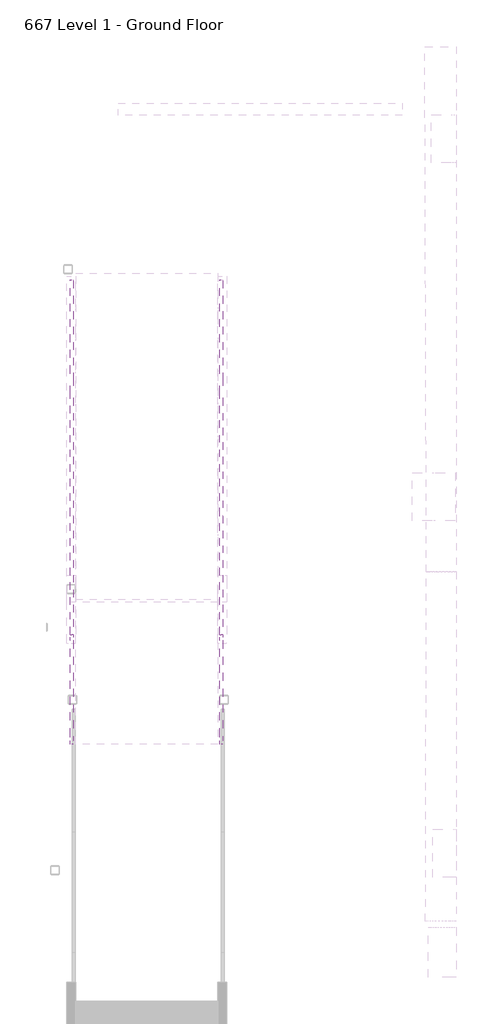
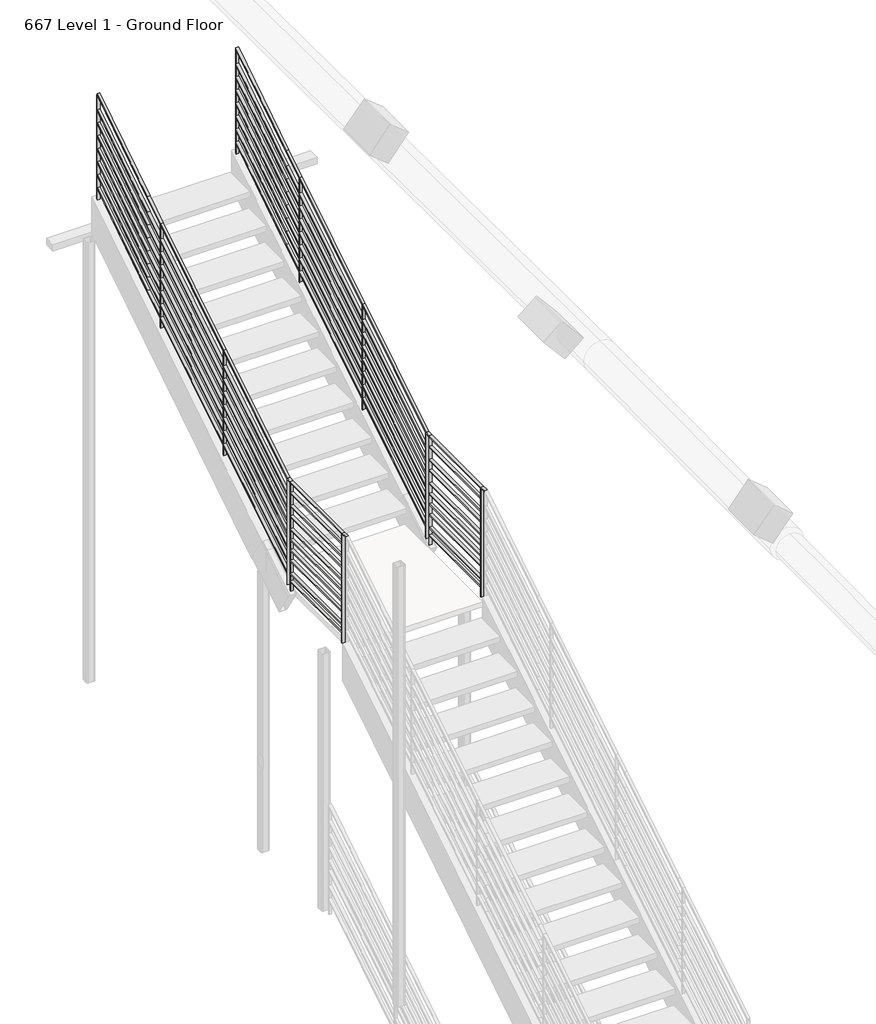
# One storey, part 13 of 16: 4 railings.
"""IFC4 building model written with IfcOpenShell, lengths in millimetres."""

from ifc_helpers import new_model, si_unit, frame, origin, place, context, project, spatial, polyline, outline, extrude, faceted_brep, element, save

model = new_model("IFC4")

# Units and contexts
model_context = context("Model", 3, world=origin())
ifc_project = project(units=[si_unit("LENGTHUNIT", "METRE", prefix="MILLI")], contexts=[model_context])

# Site, building, storey
site = spatial("IfcSite", under=ifc_project)
building = spatial("IfcBuilding", under=site)
storey = spatial("IfcBuildingStorey", under=building, Name="667 Level 1 - Ground Floor", Elevation=-11277.6)

# Railings
placement = place(None, origin())
element("IfcRailing", 1, ObjectType="Handrail - Rectangular Type5", at=placement, inside=storey, context=model_context, shape_type="SolidModel", body=[
    faceted_brep([(-10683.8430588, 2345.596665, -7435.85), (-10683.8430588, 2345.9225538, -7423.15), (-10683.8430588, 3171.4063949, -7423.15), (-10683.8430588, 3171.6899405, -7435.85), (-10658.4430588, 2345.596665, -7435.85), (-10658.4430588, 3171.6899405, -7435.85), (-10658.4430588, 2345.9225538, -7423.15), (-10658.4430588, 3171.4063949, -7423.15), (-10683.8430588, 3222.2063949, -7420.8805043), (-10658.4430588, 3222.2063949, -7420.8805043), (-10658.4430588, 3222.2063949, -7433.5931717), (-10683.8430588, 3222.2063949, -7433.5931717), (-10683.8430588, 2281.6451095, -7419.8490394), (-10683.8430588, 2281.6451095, -7432.5657754), (-10658.4430588, 2281.6451095, -7432.5657754), (-10658.4430588, 2281.6451095, -7419.8490394)], [[[0, 1, 2, 3]], [[4, 0, 3, 5]], [[6, 4, 5, 7]], [[1, 6, 7, 2]], [[8, 9, 10, 11]], [[3, 2, 8, 11]], [[5, 3, 11, 10]], [[7, 5, 10, 9]], [[2, 7, 9, 8]], [[12, 13, 14, 15]], [[13, 12, 1, 0]], [[14, 13, 0, 4]], [[15, 14, 4, 6]], [[12, 15, 6, 1]]]),
    extrude(outline(polyline([(-10658.4430588, 2345.7596094), (-10683.8430588, 2345.7596094), (-10683.8430588, 3171.4063949), (-10658.4430588, 3171.4063949), (-10658.4430588, 2345.7596094)])), frame((0.0, 0.0, -8401.05), z_axis=(0.0, 0.0, 1.0), x_axis=(1.0, 0.0, 0.0)), (0.0, 0.0, 1.0), 12.7),
    extrude(outline(polyline([(-10658.4430588, 2345.7596094), (-10683.8430588, 2345.7596094), (-10683.8430588, 3171.4063949), (-10658.4430588, 3171.4063949), (-10658.4430588, 2345.7596094)])), frame((0.0, 0.0, -8324.85), z_axis=(0.0, 0.0, 1.0), x_axis=(1.0, 0.0, 0.0)), (0.0, 0.0, 1.0), 12.7),
    extrude(outline(polyline([(-10658.4430588, 2345.7596094), (-10683.8430588, 2345.7596094), (-10683.8430588, 3171.4063949), (-10658.4430588, 3171.4063949), (-10658.4430588, 2345.7596094)])), frame((0.0, 0.0, -8197.85), z_axis=(0.0, 0.0, 1.0), x_axis=(1.0, 0.0, 0.0)), (0.0, 0.0, 1.0), 12.7),
    extrude(outline(polyline([(-10658.4430588, 2345.7596094), (-10683.8430588, 2345.7596094), (-10683.8430588, 3171.4063949), (-10658.4430588, 3171.4063949), (-10658.4430588, 2345.7596094)])), frame((0.0, 0.0, -8096.25), z_axis=(0.0, 0.0, 1.0), x_axis=(1.0, 0.0, 0.0)), (0.0, 0.0, 1.0), 12.7),
    extrude(outline(polyline([(-10658.4430588, 2345.7596094), (-10683.8430588, 2345.7596094), (-10683.8430588, 3171.4063949), (-10658.4430588, 3171.4063949), (-10658.4430588, 2345.7596094)])), frame((0.0, 0.0, -7994.65), z_axis=(0.0, 0.0, 1.0), x_axis=(1.0, 0.0, 0.0)), (0.0, 0.0, 1.0), 12.7),
    extrude(outline(polyline([(-10658.4430588, 2345.7596094), (-10683.8430588, 2345.7596094), (-10683.8430588, 3171.4063949), (-10658.4430588, 3171.4063949), (-10658.4430588, 2345.7596094)])), frame((0.0, 0.0, -7893.05), z_axis=(0.0, 0.0, 1.0), x_axis=(1.0, 0.0, 0.0)), (0.0, 0.0, 1.0), 12.7),
    extrude(outline(polyline([(-10658.4430588, 2345.7596094), (-10683.8430588, 2345.7596094), (-10683.8430588, 3171.4063949), (-10658.4430588, 3171.4063949), (-10658.4430588, 2345.7596094)])), frame((0.0, 0.0, -7766.05), z_axis=(0.0, 0.0, 1.0), x_axis=(1.0, 0.0, 0.0)), (0.0, 0.0, 1.0), 12.7),
    extrude(outline(polyline([(-10658.4430588, 2345.7596094), (-10683.8430588, 2345.7596094), (-10683.8430588, 3171.4063949), (-10658.4430588, 3171.4063949), (-10658.4430588, 2345.7596094)])), frame((0.0, 0.0, -7664.45), z_axis=(0.0, 0.0, 1.0), x_axis=(1.0, 0.0, 0.0)), (0.0, 0.0, 1.0), 12.7),
    extrude(outline(polyline([(-10658.4430588, 2345.7596094), (-10683.8430588, 2345.7596094), (-10683.8430588, 3171.4063949), (-10658.4430588, 3171.4063949), (-10658.4430588, 2345.7596094)])), frame((0.0, 0.0, -7537.45), z_axis=(0.0, 0.0, 1.0), x_axis=(1.0, 0.0, 0.0)), (0.0, 0.0, 1.0), 12.7),
    extrude(outline(polyline([(-10658.4430588, 3168.2313949), (-10683.8430588, 3168.2313949), (-10683.8430588, 3174.5813949), (-10658.4430588, 3174.5813949), (-10658.4430588, 3168.2313949)])), frame((0.0, 0.0, -8496.3), z_axis=(0.0, 0.0, 1.0), x_axis=(1.0, 0.0, 0.0)), (0.0, 0.0, 1.0), 1060.45),
    extrude(outline(polyline([(-10658.4430588, 2342.5846094), (-10683.8430588, 2342.5846094), (-10683.8430588, 2348.9346094), (-10658.4430588, 2348.9346094), (-10658.4430588, 2342.5846094)])), frame((0.0, 0.0, -8496.3), z_axis=(0.0, 0.0, 1.0), x_axis=(1.0, 0.0, 0.0)), (0.0, 0.0, 1.0), 1060.45),
])
element("IfcRailing", 2, ObjectType="Handrail - Rectangular Type5", at=placement, inside=storey, context=model_context, shape_type="SolidModel", body=[
    faceted_brep([(-11965.1563726, 2345.596665, -7435.85), (-11965.1563726, 2345.9225538, -7423.15), (-11965.1563726, 3171.4063949, -7423.15), (-11965.1563726, 3171.6899405, -7435.85), (-11939.7563726, 2345.596665, -7435.85), (-11939.7563726, 3171.6899405, -7435.85), (-11939.7563726, 2345.9225538, -7423.15), (-11939.7563726, 3171.4063949, -7423.15), (-11965.1563726, 3222.2063949, -7420.8805043), (-11939.7563726, 3222.2063949, -7420.8805043), (-11939.7563726, 3222.2063949, -7433.5931717), (-11965.1563726, 3222.2063949, -7433.5931717), (-11965.1563726, 2281.6451095, -7419.8490394), (-11965.1563726, 2281.6451095, -7432.5657754), (-11939.7563726, 2281.6451095, -7432.5657754), (-11939.7563726, 2281.6451095, -7419.8490394)], [[[0, 1, 2, 3]], [[4, 0, 3, 5]], [[6, 4, 5, 7]], [[1, 6, 7, 2]], [[8, 9, 10, 11]], [[3, 2, 8, 11]], [[5, 3, 11, 10]], [[7, 5, 10, 9]], [[2, 7, 9, 8]], [[12, 13, 14, 15]], [[13, 12, 1, 0]], [[14, 13, 0, 4]], [[15, 14, 4, 6]], [[12, 15, 6, 1]]]),
    extrude(outline(polyline([(-11939.7563726, 2345.7596094), (-11965.1563726, 2345.7596094), (-11965.1563726, 3171.4063949), (-11939.7563726, 3171.4063949), (-11939.7563726, 2345.7596094)])), frame((0.0, 0.0, -8401.05), z_axis=(0.0, 0.0, 1.0), x_axis=(1.0, 0.0, 0.0)), (0.0, 0.0, 1.0), 12.7),
    extrude(outline(polyline([(-11939.7563726, 2345.7596094), (-11965.1563726, 2345.7596094), (-11965.1563726, 3171.4063949), (-11939.7563726, 3171.4063949), (-11939.7563726, 2345.7596094)])), frame((0.0, 0.0, -8324.85), z_axis=(0.0, 0.0, 1.0), x_axis=(1.0, 0.0, 0.0)), (0.0, 0.0, 1.0), 12.7),
    extrude(outline(polyline([(-11939.7563726, 2345.7596094), (-11965.1563726, 2345.7596094), (-11965.1563726, 3171.4063949), (-11939.7563726, 3171.4063949), (-11939.7563726, 2345.7596094)])), frame((0.0, 0.0, -8197.85), z_axis=(0.0, 0.0, 1.0), x_axis=(1.0, 0.0, 0.0)), (0.0, 0.0, 1.0), 12.7),
    extrude(outline(polyline([(-11939.7563726, 2345.7596094), (-11965.1563726, 2345.7596094), (-11965.1563726, 3171.4063949), (-11939.7563726, 3171.4063949), (-11939.7563726, 2345.7596094)])), frame((0.0, 0.0, -8096.25), z_axis=(0.0, 0.0, 1.0), x_axis=(1.0, 0.0, 0.0)), (0.0, 0.0, 1.0), 12.7),
    extrude(outline(polyline([(-11939.7563726, 2345.7596094), (-11965.1563726, 2345.7596094), (-11965.1563726, 3171.4063949), (-11939.7563726, 3171.4063949), (-11939.7563726, 2345.7596094)])), frame((0.0, 0.0, -7994.65), z_axis=(0.0, 0.0, 1.0), x_axis=(1.0, 0.0, 0.0)), (0.0, 0.0, 1.0), 12.7),
    extrude(outline(polyline([(-11939.7563726, 2345.7596094), (-11965.1563726, 2345.7596094), (-11965.1563726, 3171.4063949), (-11939.7563726, 3171.4063949), (-11939.7563726, 2345.7596094)])), frame((0.0, 0.0, -7893.05), z_axis=(0.0, 0.0, 1.0), x_axis=(1.0, 0.0, 0.0)), (0.0, 0.0, 1.0), 12.7),
    extrude(outline(polyline([(-11939.7563726, 2345.7596094), (-11965.1563726, 2345.7596094), (-11965.1563726, 3171.4063949), (-11939.7563726, 3171.4063949), (-11939.7563726, 2345.7596094)])), frame((0.0, 0.0, -7766.05), z_axis=(0.0, 0.0, 1.0), x_axis=(1.0, 0.0, 0.0)), (0.0, 0.0, 1.0), 12.7),
    extrude(outline(polyline([(-11939.7563726, 2345.7596094), (-11965.1563726, 2345.7596094), (-11965.1563726, 3171.4063949), (-11939.7563726, 3171.4063949), (-11939.7563726, 2345.7596094)])), frame((0.0, 0.0, -7664.45), z_axis=(0.0, 0.0, 1.0), x_axis=(1.0, 0.0, 0.0)), (0.0, 0.0, 1.0), 12.7),
    extrude(outline(polyline([(-11939.7563726, 2345.7596094), (-11965.1563726, 2345.7596094), (-11965.1563726, 3171.4063949), (-11939.7563726, 3171.4063949), (-11939.7563726, 2345.7596094)])), frame((0.0, 0.0, -7537.45), z_axis=(0.0, 0.0, 1.0), x_axis=(1.0, 0.0, 0.0)), (0.0, 0.0, 1.0), 12.7),
    extrude(outline(polyline([(-11965.1563726, 3168.2313949), (-11965.1563726, 3174.5813949), (-11939.7563726, 3174.5813949), (-11939.7563726, 3168.2313949), (-11965.1563726, 3168.2313949)])), frame((0.0, 0.0, -8496.3), z_axis=(0.0, 0.0, 1.0), x_axis=(1.0, 0.0, 0.0)), (0.0, 0.0, 1.0), 1060.45),
    extrude(outline(polyline([(-11965.1563726, 2342.5846094), (-11965.1563726, 2348.9346094), (-11939.7563726, 2348.9346094), (-11939.7563726, 2342.5846094), (-11965.1563726, 2342.5846094)])), frame((0.0, 0.0, -8496.3), z_axis=(0.0, 0.0, 1.0), x_axis=(1.0, 0.0, 0.0)), (0.0, 0.0, 1.0), 1060.45),
])
element("IfcRailing", 3, ObjectType="Handrail - Rectangular Type6", at=placement, inside=storey, context=model_context, shape_type="SolidModel", body=[
    faceted_brep([(-10683.8430588, 3222.2063949, -7420.8805043), (-10683.8430588, 3222.2063949, -7435.85), (-10658.4430588, 3222.2063949, -7435.85), (-10658.4430588, 3222.2063949, -7420.8805043), (-10683.8430588, 4238.3919804, -6786.8142919), (-10658.4430588, 4238.3919804, -6786.8142919), (-10658.4430588, 4245.1149609, -6797.58887), (-10683.8430588, 4245.1149609, -6797.58887)], [[[0, 1, 2, 3]], [[4, 5, 6, 7]], [[1, 0, 4, 7]], [[2, 1, 7, 6]], [[3, 2, 6, 5]], [[0, 3, 5, 4]]]),
    faceted_brep([(-10683.8430588, 4238.3919804, -6790.776482), (-10683.8430588, 4245.1149609, -6801.5510601), (-10658.4430588, 4245.1149609, -6801.5510601), (-10658.4430588, 4238.3919804, -6790.776482), (-10683.8430588, 5245.8245784, -6162.1718444), (-10683.8430588, 5252.5475589, -6172.9464225), (-10658.4430588, 5252.5475589, -6172.9464225), (-10658.4430588, 5245.8245784, -6162.1718444), (-10683.8430588, 5458.5763022, -6029.4218019), (-10683.8430588, 5465.2996967, -6040.1970435), (-10658.4430588, 5465.2992827, -6040.1963799), (-10658.4430588, 5458.5758881, -6029.4211383), (-10683.8430588, 6261.6094854, -5510.6700231), (-10658.4430588, 6261.6094854, -5510.6700231), (-10658.4430588, 6261.6094854, -5525.7894367), (-10683.8430588, 6261.6094854, -5525.7894367)], [[[0, 1, 2, 3]], [[1, 0, 4, 5]], [[2, 1, 5, 6]], [[3, 2, 6, 7]], [[0, 3, 7, 4]], [[5, 4, 8, 9]], [[6, 5, 9, 10]], [[7, 6, 10, 11]], [[4, 7, 11, 8]], [[12, 13, 14, 15]], [[9, 8, 12, 15]], [[10, 9, 15, 14]], [[11, 10, 14, 13]], [[8, 11, 13, 12]]]),
    faceted_brep([(-10658.4430588, 3222.2063949, -8335.2805043), (-10683.8430588, 3222.2063949, -8335.2805043), (-10683.8430588, 3222.2063949, -8350.25), (-10658.4430588, 3222.2063949, -8350.25), (-10658.4430588, 4241.7534707, -7699.1168331), (-10658.4430588, 4241.7534707, -7714.0863288), (-10683.8430588, 4241.7534707, -7714.0863288), (-10683.8430588, 4241.7534707, -7699.1168331)], [[[0, 1, 2, 3]], [[4, 5, 6, 7]], [[1, 0, 4, 7]], [[2, 1, 7, 6]], [[3, 2, 6, 5]], [[0, 3, 5, 4]]]),
    faceted_brep([(-10658.4430588, 4241.7534707, -7703.0790232), (-10683.8430588, 4241.7534707, -7703.0790232), (-10683.8430588, 4241.7534707, -7718.0485189), (-10658.4430588, 4241.7534707, -7718.0485189), (-10658.4430588, 5249.1860686, -7074.4743856), (-10658.4430588, 5249.1860686, -7089.4438813), (-10683.8430588, 5249.1860686, -7089.4438813), (-10683.8430588, 5249.1860686, -7074.4743856)], [[[0, 1, 2, 3]], [[4, 5, 6, 7]], [[1, 0, 4, 7]], [[2, 1, 7, 6]], [[3, 2, 6, 5]], [[0, 3, 5, 4]]]),
    faceted_brep([(-10658.4430588, 5249.1860686, -7074.4743856), (-10683.8430588, 5249.1860686, -7074.4743856), (-10683.8430588, 5249.1860686, -7089.4438813), (-10658.4430588, 5249.1860686, -7089.4438813), (-10658.4430588, 5458.5763022, -6943.8218019), (-10683.8430588, 5458.5763022, -6943.8218019), (-10683.8430588, 5465.2996967, -6954.5970435), (-10658.4430588, 5465.2992827, -6954.5963799), (-10658.4430588, 6261.6094854, -6425.0700231), (-10658.4430588, 6261.6094854, -6440.1894367), (-10683.8430588, 6261.6094854, -6440.1894367), (-10683.8430588, 6261.6094854, -6425.0700231)], [[[0, 1, 2, 3]], [[1, 0, 4, 5]], [[2, 1, 5, 6]], [[3, 2, 6, 7]], [[0, 3, 7, 4]], [[8, 9, 10, 11]], [[5, 4, 8, 11]], [[6, 5, 11, 10]], [[7, 6, 10, 9]], [[4, 7, 9, 8]]]),
    faceted_brep([(-10658.4430588, 3222.2063949, -8208.2805043), (-10683.8430588, 3222.2063949, -8208.2805043), (-10683.8430588, 3222.2063949, -8223.25), (-10658.4430588, 3222.2063949, -8223.25), (-10658.4430588, 4241.7534707, -7572.1168331), (-10658.4430588, 4241.7534707, -7587.0863288), (-10683.8430588, 4241.7534707, -7587.0863288), (-10683.8430588, 4241.7534707, -7572.1168331)], [[[0, 1, 2, 3]], [[4, 5, 6, 7]], [[1, 0, 4, 7]], [[2, 1, 7, 6]], [[3, 2, 6, 5]], [[0, 3, 5, 4]]]),
    faceted_brep([(-10658.4430588, 4241.7534707, -7576.0790232), (-10683.8430588, 4241.7534707, -7576.0790232), (-10683.8430588, 4241.7534707, -7591.0485189), (-10658.4430588, 4241.7534707, -7591.0485189), (-10658.4430588, 5249.1860686, -6947.4743856), (-10658.4430588, 5249.1860686, -6962.4438813), (-10683.8430588, 5249.1860686, -6962.4438813), (-10683.8430588, 5249.1860686, -6947.4743856)], [[[0, 1, 2, 3]], [[4, 5, 6, 7]], [[1, 0, 4, 7]], [[2, 1, 7, 6]], [[3, 2, 6, 5]], [[0, 3, 5, 4]]]),
    faceted_brep([(-10658.4430588, 5249.1860686, -6947.4743856), (-10683.8430588, 5249.1860686, -6947.4743856), (-10683.8430588, 5249.1860686, -6962.4438813), (-10658.4430588, 5249.1860686, -6962.4438813), (-10658.4430588, 5458.5763022, -6816.8218019), (-10683.8430588, 5458.5763022, -6816.8218019), (-10683.8430588, 5465.2996967, -6827.5970435), (-10658.4430588, 5465.2992827, -6827.5963799), (-10658.4430588, 6261.6094854, -6298.0700231), (-10658.4430588, 6261.6094854, -6313.1894367), (-10683.8430588, 6261.6094854, -6313.1894367), (-10683.8430588, 6261.6094854, -6298.0700231)], [[[0, 1, 2, 3]], [[1, 0, 4, 5]], [[2, 1, 5, 6]], [[3, 2, 6, 7]], [[0, 3, 7, 4]], [[8, 9, 10, 11]], [[5, 4, 8, 11]], [[6, 5, 11, 10]], [[7, 6, 10, 9]], [[4, 7, 9, 8]]]),
    faceted_brep([(-10658.4430588, 3222.2063949, -8081.2805043), (-10683.8430588, 3222.2063949, -8081.2805043), (-10683.8430588, 3222.2063949, -8096.25), (-10658.4430588, 3222.2063949, -8096.25), (-10658.4430588, 4241.7534707, -7445.1168331), (-10658.4430588, 4241.7534707, -7460.0863288), (-10683.8430588, 4241.7534707, -7460.0863288), (-10683.8430588, 4241.7534707, -7445.1168331)], [[[0, 1, 2, 3]], [[4, 5, 6, 7]], [[1, 0, 4, 7]], [[2, 1, 7, 6]], [[3, 2, 6, 5]], [[0, 3, 5, 4]]]),
    faceted_brep([(-10658.4430588, 4241.7534707, -7449.0790232), (-10683.8430588, 4241.7534707, -7449.0790232), (-10683.8430588, 4241.7534707, -7464.0485189), (-10658.4430588, 4241.7534707, -7464.0485189), (-10658.4430588, 5249.1860686, -6820.4743856), (-10658.4430588, 5249.1860686, -6835.4438813), (-10683.8430588, 5249.1860686, -6835.4438813), (-10683.8430588, 5249.1860686, -6820.4743856)], [[[0, 1, 2, 3]], [[4, 5, 6, 7]], [[1, 0, 4, 7]], [[2, 1, 7, 6]], [[3, 2, 6, 5]], [[0, 3, 5, 4]]]),
    faceted_brep([(-10658.4430588, 5249.1860686, -6820.4743856), (-10683.8430588, 5249.1860686, -6820.4743856), (-10683.8430588, 5249.1860686, -6835.4438813), (-10658.4430588, 5249.1860686, -6835.4438813), (-10658.4430588, 5458.5763022, -6689.8218019), (-10683.8430588, 5458.5763022, -6689.8218019), (-10683.8430588, 5465.2996967, -6700.5970435), (-10658.4430588, 5465.2992827, -6700.5963799), (-10658.4430588, 6261.6094854, -6171.0700231), (-10658.4430588, 6261.6094854, -6186.1894367), (-10683.8430588, 6261.6094854, -6186.1894367), (-10683.8430588, 6261.6094854, -6171.0700231)], [[[0, 1, 2, 3]], [[1, 0, 4, 5]], [[2, 1, 5, 6]], [[3, 2, 6, 7]], [[0, 3, 7, 4]], [[8, 9, 10, 11]], [[5, 4, 8, 11]], [[6, 5, 11, 10]], [[7, 6, 10, 9]], [[4, 7, 9, 8]]]),
    faceted_brep([(-10658.4430588, 3222.2063949, -7954.2805043), (-10683.8430588, 3222.2063949, -7954.2805043), (-10683.8430588, 3222.2063949, -7969.25), (-10658.4430588, 3222.2063949, -7969.25), (-10658.4430588, 4241.7534707, -7318.1168331), (-10658.4430588, 4241.7534707, -7333.0863288), (-10683.8430588, 4241.7534707, -7333.0863288), (-10683.8430588, 4241.7534707, -7318.1168331)], [[[0, 1, 2, 3]], [[4, 5, 6, 7]], [[1, 0, 4, 7]], [[2, 1, 7, 6]], [[3, 2, 6, 5]], [[0, 3, 5, 4]]]),
    faceted_brep([(-10658.4430588, 4241.7534707, -7322.0790232), (-10683.8430588, 4241.7534707, -7322.0790232), (-10683.8430588, 4241.7534707, -7337.0485189), (-10658.4430588, 4241.7534707, -7337.0485189), (-10658.4430588, 5249.1860686, -6693.4743856), (-10658.4430588, 5249.1860686, -6708.4438813), (-10683.8430588, 5249.1860686, -6708.4438813), (-10683.8430588, 5249.1860686, -6693.4743856)], [[[0, 1, 2, 3]], [[4, 5, 6, 7]], [[1, 0, 4, 7]], [[2, 1, 7, 6]], [[3, 2, 6, 5]], [[0, 3, 5, 4]]]),
    faceted_brep([(-10658.4430588, 5249.1860686, -6693.4743856), (-10683.8430588, 5249.1860686, -6693.4743856), (-10683.8430588, 5249.1860686, -6708.4438813), (-10658.4430588, 5249.1860686, -6708.4438813), (-10658.4430588, 5458.5763022, -6562.8218019), (-10683.8430588, 5458.5763022, -6562.8218019), (-10683.8430588, 5465.2996967, -6573.5970435), (-10658.4430588, 5465.2992827, -6573.5963799), (-10658.4430588, 6261.6094854, -6044.0700231), (-10658.4430588, 6261.6094854, -6059.1894367), (-10683.8430588, 6261.6094854, -6059.1894367), (-10683.8430588, 6261.6094854, -6044.0700231)], [[[0, 1, 2, 3]], [[1, 0, 4, 5]], [[2, 1, 5, 6]], [[3, 2, 6, 7]], [[0, 3, 7, 4]], [[8, 9, 10, 11]], [[5, 4, 8, 11]], [[6, 5, 11, 10]], [[7, 6, 10, 9]], [[4, 7, 9, 8]]]),
    faceted_brep([(-10658.4430588, 3222.2063949, -7827.2805043), (-10683.8430588, 3222.2063949, -7827.2805043), (-10683.8430588, 3222.2063949, -7842.25), (-10658.4430588, 3222.2063949, -7842.25), (-10658.4430588, 4241.7534707, -7191.1168331), (-10658.4430588, 4241.7534707, -7206.0863288), (-10683.8430588, 4241.7534707, -7206.0863288), (-10683.8430588, 4241.7534707, -7191.1168331)], [[[0, 1, 2, 3]], [[4, 5, 6, 7]], [[1, 0, 4, 7]], [[2, 1, 7, 6]], [[3, 2, 6, 5]], [[0, 3, 5, 4]]]),
    faceted_brep([(-10658.4430588, 4241.7534707, -7195.0790232), (-10683.8430588, 4241.7534707, -7195.0790232), (-10683.8430588, 4241.7534707, -7210.0485189), (-10658.4430588, 4241.7534707, -7210.0485189), (-10658.4430588, 5249.1860686, -6566.4743856), (-10658.4430588, 5249.1860686, -6581.4438813), (-10683.8430588, 5249.1860686, -6581.4438813), (-10683.8430588, 5249.1860686, -6566.4743856)], [[[0, 1, 2, 3]], [[4, 5, 6, 7]], [[1, 0, 4, 7]], [[2, 1, 7, 6]], [[3, 2, 6, 5]], [[0, 3, 5, 4]]]),
    faceted_brep([(-10658.4430588, 5249.1860686, -6566.4743856), (-10683.8430588, 5249.1860686, -6566.4743856), (-10683.8430588, 5249.1860686, -6581.4438813), (-10658.4430588, 5249.1860686, -6581.4438813), (-10658.4430588, 5458.5763022, -6435.8218019), (-10683.8430588, 5458.5763022, -6435.8218019), (-10683.8430588, 5465.2996967, -6446.5970435), (-10658.4430588, 5465.2992827, -6446.5963799), (-10658.4430588, 6261.6094854, -5917.0700231), (-10658.4430588, 6261.6094854, -5932.1894367), (-10683.8430588, 6261.6094854, -5932.1894367), (-10683.8430588, 6261.6094854, -5917.0700231)], [[[0, 1, 2, 3]], [[1, 0, 4, 5]], [[2, 1, 5, 6]], [[3, 2, 6, 7]], [[0, 3, 7, 4]], [[8, 9, 10, 11]], [[5, 4, 8, 11]], [[6, 5, 11, 10]], [[7, 6, 10, 9]], [[4, 7, 9, 8]]]),
    faceted_brep([(-10658.4430588, 3222.2063949, -7700.2805043), (-10683.8430588, 3222.2063949, -7700.2805043), (-10683.8430588, 3222.2063949, -7715.25), (-10658.4430588, 3222.2063949, -7715.25), (-10658.4430588, 4241.7534707, -7064.1168331), (-10658.4430588, 4241.7534707, -7079.0863288), (-10683.8430588, 4241.7534707, -7079.0863288), (-10683.8430588, 4241.7534707, -7064.1168331)], [[[0, 1, 2, 3]], [[4, 5, 6, 7]], [[1, 0, 4, 7]], [[2, 1, 7, 6]], [[3, 2, 6, 5]], [[0, 3, 5, 4]]]),
    faceted_brep([(-10658.4430588, 4241.7534707, -7068.0790232), (-10683.8430588, 4241.7534707, -7068.0790232), (-10683.8430588, 4241.7534707, -7083.0485189), (-10658.4430588, 4241.7534707, -7083.0485189), (-10658.4430588, 5249.1860686, -6439.4743856), (-10658.4430588, 5249.1860686, -6454.4438813), (-10683.8430588, 5249.1860686, -6454.4438813), (-10683.8430588, 5249.1860686, -6439.4743856)], [[[0, 1, 2, 3]], [[4, 5, 6, 7]], [[1, 0, 4, 7]], [[2, 1, 7, 6]], [[3, 2, 6, 5]], [[0, 3, 5, 4]]]),
    faceted_brep([(-10658.4430588, 5249.1860686, -6439.4743856), (-10683.8430588, 5249.1860686, -6439.4743856), (-10683.8430588, 5249.1860686, -6454.4438813), (-10658.4430588, 5249.1860686, -6454.4438813), (-10658.4430588, 5458.5763022, -6308.8218019), (-10683.8430588, 5458.5763022, -6308.8218019), (-10683.8430588, 5465.2996967, -6319.5970435), (-10658.4430588, 5465.2992827, -6319.5963799), (-10658.4430588, 6261.6094854, -5790.0700231), (-10658.4430588, 6261.6094854, -5805.1894367), (-10683.8430588, 6261.6094854, -5805.1894367), (-10683.8430588, 6261.6094854, -5790.0700231)], [[[0, 1, 2, 3]], [[1, 0, 4, 5]], [[2, 1, 5, 6]], [[3, 2, 6, 7]], [[0, 3, 7, 4]], [[8, 9, 10, 11]], [[5, 4, 8, 11]], [[6, 5, 11, 10]], [[7, 6, 10, 9]], [[4, 7, 9, 8]]]),
    faceted_brep([(-10658.4430588, 3222.2063949, -7573.2805043), (-10683.8430588, 3222.2063949, -7573.2805043), (-10683.8430588, 3222.2063949, -7588.25), (-10658.4430588, 3222.2063949, -7588.25), (-10658.4430588, 4241.7534707, -6937.1168331), (-10658.4430588, 4241.7534707, -6952.0863288), (-10683.8430588, 4241.7534707, -6952.0863288), (-10683.8430588, 4241.7534707, -6937.1168331)], [[[0, 1, 2, 3]], [[4, 5, 6, 7]], [[1, 0, 4, 7]], [[2, 1, 7, 6]], [[3, 2, 6, 5]], [[0, 3, 5, 4]]]),
    faceted_brep([(-10658.4430588, 4241.7534707, -6941.0790232), (-10683.8430588, 4241.7534707, -6941.0790232), (-10683.8430588, 4241.7534707, -6956.0485189), (-10658.4430588, 4241.7534707, -6956.0485189), (-10658.4430588, 5249.1860686, -6312.4743856), (-10658.4430588, 5249.1860686, -6327.4438813), (-10683.8430588, 5249.1860686, -6327.4438813), (-10683.8430588, 5249.1860686, -6312.4743856)], [[[0, 1, 2, 3]], [[4, 5, 6, 7]], [[1, 0, 4, 7]], [[2, 1, 7, 6]], [[3, 2, 6, 5]], [[0, 3, 5, 4]]]),
    faceted_brep([(-10658.4430588, 5249.1860686, -6312.4743856), (-10683.8430588, 5249.1860686, -6312.4743856), (-10683.8430588, 5249.1860686, -6327.4438813), (-10658.4430588, 5249.1860686, -6327.4438813), (-10658.4430588, 5458.5763022, -6181.8218019), (-10683.8430588, 5458.5763022, -6181.8218019), (-10683.8430588, 5465.2996967, -6192.5970435), (-10658.4430588, 5465.2992827, -6192.5963799), (-10658.4430588, 6261.6094854, -5663.0700231), (-10658.4430588, 6261.6094854, -5678.1894367), (-10683.8430588, 6261.6094854, -5678.1894367), (-10683.8430588, 6261.6094854, -5663.0700231)], [[[0, 1, 2, 3]], [[1, 0, 4, 5]], [[2, 1, 5, 6]], [[3, 2, 6, 7]], [[0, 3, 7, 4]], [[8, 9, 10, 11]], [[5, 4, 8, 11]], [[6, 5, 11, 10]], [[7, 6, 10, 9]], [[4, 7, 9, 8]]]),
    extrude(outline(polyline([(5246.0110686, -7234.3591334), (5246.0110686, -6177.0179759), (5252.3610686, -6173.0625887), (5252.3610686, -7234.3591334), (5246.0110686, -7234.3591334)])), frame((-10683.8430588, 0.0, 0.0), z_axis=(1.0, 0.0, 0.0), x_axis=(0.0, 1.0, 0.0)), (0.0, 0.0, 1.0), 25.4),
    extrude(outline(polyline([(4238.5784707, -7859.0015809), (4238.5784707, -6801.6604234), (4244.9284707, -6797.7050362), (4244.9284707, -7859.0015809), (4238.5784707, -7859.0015809)])), frame((-10683.8430588, 0.0, 0.0), z_axis=(1.0, 0.0, 0.0), x_axis=(0.0, 1.0, 0.0)), (0.0, 0.0, 1.0), 25.4),
    extrude(outline(polyline([(6258.4344854, -6585.0297299), (6258.4344854, -5527.8404528), (6264.7844854, -5523.7384207), (6264.7844854, -6585.0297299), (6258.4344854, -6585.0297299)])), frame((-10683.8430588, 0.0, 0.0), z_axis=(1.0, 0.0, 0.0), x_axis=(0.0, 1.0, 0.0)), (0.0, 0.0, 1.0), 25.4),
    extrude(outline(polyline([(3219.0313949, -8495.1652522), (3219.0313949, -7437.8240946), (3225.3813949, -7433.8687074), (3225.3813949, -8495.1652522), (3219.0313949, -8495.1652522)])), frame((-10683.8430588, 0.0, 0.0), z_axis=(1.0, 0.0, 0.0), x_axis=(0.0, 1.0, 0.0)), (0.0, 0.0, 1.0), 25.4),
])
element("IfcRailing", 4, ObjectType="Handrail - Rectangular Type6", at=placement, inside=storey, context=model_context, shape_type="SolidModel", body=[
    faceted_brep([(-11965.1563726, 3222.2063949, -7420.8805043), (-11965.1563726, 3222.2063949, -7435.85), (-11939.7563726, 3222.2063949, -7435.85), (-11939.7563726, 3222.2063949, -7420.8805043), (-11965.1563726, 4238.3919804, -6786.8142919), (-11939.7563726, 4238.3919804, -6786.8142919), (-11939.7563726, 4245.1149609, -6797.58887), (-11965.1563726, 4245.1149609, -6797.58887)], [[[0, 1, 2, 3]], [[4, 5, 6, 7]], [[1, 0, 4, 7]], [[2, 1, 7, 6]], [[3, 2, 6, 5]], [[0, 3, 5, 4]]]),
    faceted_brep([(-11965.1563726, 4238.3919804, -6790.776482), (-11965.1563726, 4245.1149609, -6801.5510601), (-11939.7563726, 4245.1149609, -6801.5510601), (-11939.7563726, 4238.3919804, -6790.776482), (-11965.1563726, 5245.8245784, -6162.1718444), (-11965.1563726, 5252.5475589, -6172.9464225), (-11939.7563726, 5252.5475589, -6172.9464225), (-11939.7563726, 5245.8245784, -6162.1718444), (-11965.1563726, 5458.5763022, -6029.4218019), (-11965.1563726, 5465.2996967, -6040.1970435), (-11939.7563726, 5465.2992827, -6040.1963799), (-11939.7563726, 5458.5758881, -6029.4211383), (-11965.1563726, 6261.6094854, -5510.6700231), (-11939.7563726, 6261.6094854, -5510.6700231), (-11939.7563726, 6261.6094854, -5525.7894367), (-11965.1563726, 6261.6094854, -5525.7894367)], [[[0, 1, 2, 3]], [[1, 0, 4, 5]], [[2, 1, 5, 6]], [[3, 2, 6, 7]], [[0, 3, 7, 4]], [[5, 4, 8, 9]], [[6, 5, 9, 10]], [[7, 6, 10, 11]], [[4, 7, 11, 8]], [[12, 13, 14, 15]], [[9, 8, 12, 15]], [[10, 9, 15, 14]], [[11, 10, 14, 13]], [[8, 11, 13, 12]]]),
    faceted_brep([(-11965.1563726, 3222.2063949, -8335.2805043), (-11965.1563726, 3222.2063949, -8350.25), (-11939.7563726, 3222.2063949, -8350.25), (-11939.7563726, 3222.2063949, -8335.2805043), (-11965.1563726, 4241.7534707, -7699.1168331), (-11939.7563726, 4241.7534707, -7699.1168331), (-11939.7563726, 4241.7534707, -7714.0863288), (-11965.1563726, 4241.7534707, -7714.0863288)], [[[0, 1, 2, 3]], [[4, 5, 6, 7]], [[0, 3, 5, 4]], [[3, 2, 6, 5]], [[2, 1, 7, 6]], [[1, 0, 4, 7]]]),
    faceted_brep([(-11965.1563726, 4241.7534707, -7703.0790232), (-11965.1563726, 4241.7534707, -7718.0485189), (-11939.7563726, 4241.7534707, -7718.0485189), (-11939.7563726, 4241.7534707, -7703.0790232), (-11965.1563726, 5249.1860686, -7074.4743856), (-11939.7563726, 5249.1860686, -7074.4743856), (-11939.7563726, 5249.1860686, -7089.4438813), (-11965.1563726, 5249.1860686, -7089.4438813)], [[[0, 1, 2, 3]], [[4, 5, 6, 7]], [[0, 3, 5, 4]], [[3, 2, 6, 5]], [[2, 1, 7, 6]], [[1, 0, 4, 7]]]),
    faceted_brep([(-11965.1563726, 5249.1860686, -7074.4743856), (-11965.1563726, 5249.1860686, -7089.4438813), (-11939.7563726, 5249.1860686, -7089.4438813), (-11939.7563726, 5249.1860686, -7074.4743856), (-11939.7563726, 5458.5763022, -6943.8218019), (-11965.1563726, 5458.5763022, -6943.8218019), (-11939.7563726, 5465.2992827, -6954.5963799), (-11965.1563726, 5465.2992827, -6954.5963799), (-11965.1563726, 6261.6094854, -6425.0700231), (-11939.7563726, 6261.6094854, -6425.0700231), (-11939.7563726, 6261.6094854, -6440.1894367), (-11965.1563726, 6261.6094854, -6440.1894367)], [[[0, 1, 2, 3]], [[0, 3, 4, 5]], [[3, 2, 6, 4]], [[2, 1, 7, 6]], [[1, 0, 5, 7]], [[8, 9, 10, 11]], [[5, 4, 9, 8]], [[4, 6, 10, 9]], [[6, 7, 11, 10]], [[7, 5, 8, 11]]]),
    faceted_brep([(-11965.1563726, 3222.2063949, -8208.2805043), (-11965.1563726, 3222.2063949, -8223.25), (-11939.7563726, 3222.2063949, -8223.25), (-11939.7563726, 3222.2063949, -8208.2805043), (-11965.1563726, 4241.7534707, -7572.1168331), (-11939.7563726, 4241.7534707, -7572.1168331), (-11939.7563726, 4241.7534707, -7587.0863288), (-11965.1563726, 4241.7534707, -7587.0863288)], [[[0, 1, 2, 3]], [[4, 5, 6, 7]], [[0, 3, 5, 4]], [[3, 2, 6, 5]], [[2, 1, 7, 6]], [[1, 0, 4, 7]]]),
    faceted_brep([(-11965.1563726, 4241.7534707, -7576.0790232), (-11965.1563726, 4241.7534707, -7591.0485189), (-11939.7563726, 4241.7534707, -7591.0485189), (-11939.7563726, 4241.7534707, -7576.0790232), (-11965.1563726, 5249.1860686, -6947.4743856), (-11939.7563726, 5249.1860686, -6947.4743856), (-11939.7563726, 5249.1860686, -6962.4438813), (-11965.1563726, 5249.1860686, -6962.4438813)], [[[0, 1, 2, 3]], [[4, 5, 6, 7]], [[0, 3, 5, 4]], [[3, 2, 6, 5]], [[2, 1, 7, 6]], [[1, 0, 4, 7]]]),
    faceted_brep([(-11965.1563726, 5249.1860686, -6947.4743856), (-11965.1563726, 5249.1860686, -6962.4438813), (-11939.7563726, 5249.1860686, -6962.4438813), (-11939.7563726, 5249.1860686, -6947.4743856), (-11939.7563726, 5458.5763022, -6816.8218019), (-11965.1563726, 5458.5763022, -6816.8218019), (-11939.7563726, 5465.2992827, -6827.5963799), (-11965.1563726, 5465.2992827, -6827.5963799), (-11965.1563726, 6261.6094854, -6298.0700231), (-11939.7563726, 6261.6094854, -6298.0700231), (-11939.7563726, 6261.6094854, -6313.1894367), (-11965.1563726, 6261.6094854, -6313.1894367)], [[[0, 1, 2, 3]], [[0, 3, 4, 5]], [[3, 2, 6, 4]], [[2, 1, 7, 6]], [[1, 0, 5, 7]], [[8, 9, 10, 11]], [[5, 4, 9, 8]], [[4, 6, 10, 9]], [[6, 7, 11, 10]], [[7, 5, 8, 11]]]),
    faceted_brep([(-11965.1563726, 3222.2063949, -8081.2805043), (-11965.1563726, 3222.2063949, -8096.25), (-11939.7563726, 3222.2063949, -8096.25), (-11939.7563726, 3222.2063949, -8081.2805043), (-11965.1563726, 4241.7534707, -7445.1168331), (-11939.7563726, 4241.7534707, -7445.1168331), (-11939.7563726, 4241.7534707, -7460.0863288), (-11965.1563726, 4241.7534707, -7460.0863288)], [[[0, 1, 2, 3]], [[4, 5, 6, 7]], [[0, 3, 5, 4]], [[3, 2, 6, 5]], [[2, 1, 7, 6]], [[1, 0, 4, 7]]]),
    faceted_brep([(-11965.1563726, 4241.7534707, -7449.0790232), (-11965.1563726, 4241.7534707, -7464.0485189), (-11939.7563726, 4241.7534707, -7464.0485189), (-11939.7563726, 4241.7534707, -7449.0790232), (-11965.1563726, 5249.1860686, -6820.4743856), (-11939.7563726, 5249.1860686, -6820.4743856), (-11939.7563726, 5249.1860686, -6835.4438813), (-11965.1563726, 5249.1860686, -6835.4438813)], [[[0, 1, 2, 3]], [[4, 5, 6, 7]], [[0, 3, 5, 4]], [[3, 2, 6, 5]], [[2, 1, 7, 6]], [[1, 0, 4, 7]]]),
    faceted_brep([(-11965.1563726, 5249.1860686, -6820.4743856), (-11965.1563726, 5249.1860686, -6835.4438813), (-11939.7563726, 5249.1860686, -6835.4438813), (-11939.7563726, 5249.1860686, -6820.4743856), (-11939.7563726, 5458.5763022, -6689.8218019), (-11965.1563726, 5458.5763022, -6689.8218019), (-11939.7563726, 5465.2992827, -6700.5963799), (-11965.1563726, 5465.2992827, -6700.5963799), (-11965.1563726, 6261.6094854, -6171.0700231), (-11939.7563726, 6261.6094854, -6171.0700231), (-11939.7563726, 6261.6094854, -6186.1894367), (-11965.1563726, 6261.6094854, -6186.1894367)], [[[0, 1, 2, 3]], [[0, 3, 4, 5]], [[3, 2, 6, 4]], [[2, 1, 7, 6]], [[1, 0, 5, 7]], [[8, 9, 10, 11]], [[5, 4, 9, 8]], [[4, 6, 10, 9]], [[6, 7, 11, 10]], [[7, 5, 8, 11]]]),
    faceted_brep([(-11965.1563726, 3222.2063949, -7954.2805043), (-11965.1563726, 3222.2063949, -7969.25), (-11939.7563726, 3222.2063949, -7969.25), (-11939.7563726, 3222.2063949, -7954.2805043), (-11965.1563726, 4241.7534707, -7318.1168331), (-11939.7563726, 4241.7534707, -7318.1168331), (-11939.7563726, 4241.7534707, -7333.0863288), (-11965.1563726, 4241.7534707, -7333.0863288)], [[[0, 1, 2, 3]], [[4, 5, 6, 7]], [[0, 3, 5, 4]], [[3, 2, 6, 5]], [[2, 1, 7, 6]], [[1, 0, 4, 7]]]),
    faceted_brep([(-11965.1563726, 4241.7534707, -7322.0790232), (-11965.1563726, 4241.7534707, -7337.0485189), (-11939.7563726, 4241.7534707, -7337.0485189), (-11939.7563726, 4241.7534707, -7322.0790232), (-11965.1563726, 5249.1860686, -6693.4743856), (-11939.7563726, 5249.1860686, -6693.4743856), (-11939.7563726, 5249.1860686, -6708.4438813), (-11965.1563726, 5249.1860686, -6708.4438813)], [[[0, 1, 2, 3]], [[4, 5, 6, 7]], [[0, 3, 5, 4]], [[3, 2, 6, 5]], [[2, 1, 7, 6]], [[1, 0, 4, 7]]]),
    faceted_brep([(-11965.1563726, 5249.1860686, -6693.4743856), (-11965.1563726, 5249.1860686, -6708.4438813), (-11939.7563726, 5249.1860686, -6708.4438813), (-11939.7563726, 5249.1860686, -6693.4743856), (-11939.7563726, 5458.5763022, -6562.8218019), (-11965.1563726, 5458.5763022, -6562.8218019), (-11939.7563726, 5465.2992827, -6573.5963799), (-11965.1563726, 5465.2992827, -6573.5963799), (-11965.1563726, 6261.6094854, -6044.0700231), (-11939.7563726, 6261.6094854, -6044.0700231), (-11939.7563726, 6261.6094854, -6059.1894367), (-11965.1563726, 6261.6094854, -6059.1894367)], [[[0, 1, 2, 3]], [[0, 3, 4, 5]], [[3, 2, 6, 4]], [[2, 1, 7, 6]], [[1, 0, 5, 7]], [[8, 9, 10, 11]], [[5, 4, 9, 8]], [[4, 6, 10, 9]], [[6, 7, 11, 10]], [[7, 5, 8, 11]]]),
    faceted_brep([(-11965.1563726, 3222.2063949, -7827.2805043), (-11965.1563726, 3222.2063949, -7842.25), (-11939.7563726, 3222.2063949, -7842.25), (-11939.7563726, 3222.2063949, -7827.2805043), (-11965.1563726, 4241.7534707, -7191.1168331), (-11939.7563726, 4241.7534707, -7191.1168331), (-11939.7563726, 4241.7534707, -7206.0863288), (-11965.1563726, 4241.7534707, -7206.0863288)], [[[0, 1, 2, 3]], [[4, 5, 6, 7]], [[0, 3, 5, 4]], [[3, 2, 6, 5]], [[2, 1, 7, 6]], [[1, 0, 4, 7]]]),
    faceted_brep([(-11965.1563726, 4241.7534707, -7195.0790232), (-11965.1563726, 4241.7534707, -7210.0485189), (-11939.7563726, 4241.7534707, -7210.0485189), (-11939.7563726, 4241.7534707, -7195.0790232), (-11965.1563726, 5249.1860686, -6566.4743856), (-11939.7563726, 5249.1860686, -6566.4743856), (-11939.7563726, 5249.1860686, -6581.4438813), (-11965.1563726, 5249.1860686, -6581.4438813)], [[[0, 1, 2, 3]], [[4, 5, 6, 7]], [[0, 3, 5, 4]], [[3, 2, 6, 5]], [[2, 1, 7, 6]], [[1, 0, 4, 7]]]),
    faceted_brep([(-11965.1563726, 5249.1860686, -6566.4743856), (-11965.1563726, 5249.1860686, -6581.4438813), (-11939.7563726, 5249.1860686, -6581.4438813), (-11939.7563726, 5249.1860686, -6566.4743856), (-11939.7563726, 5458.5763022, -6435.8218019), (-11965.1563726, 5458.5763022, -6435.8218019), (-11939.7563726, 5465.2992827, -6446.5963799), (-11965.1563726, 5465.2992827, -6446.5963799), (-11965.1563726, 6261.6094854, -5917.0700231), (-11939.7563726, 6261.6094854, -5917.0700231), (-11939.7563726, 6261.6094854, -5932.1894367), (-11965.1563726, 6261.6094854, -5932.1894367)], [[[0, 1, 2, 3]], [[0, 3, 4, 5]], [[3, 2, 6, 4]], [[2, 1, 7, 6]], [[1, 0, 5, 7]], [[8, 9, 10, 11]], [[5, 4, 9, 8]], [[4, 6, 10, 9]], [[6, 7, 11, 10]], [[7, 5, 8, 11]]]),
    faceted_brep([(-11965.1563726, 3222.2063949, -7700.2805043), (-11965.1563726, 3222.2063949, -7715.25), (-11939.7563726, 3222.2063949, -7715.25), (-11939.7563726, 3222.2063949, -7700.2805043), (-11965.1563726, 4241.7534707, -7064.1168331), (-11939.7563726, 4241.7534707, -7064.1168331), (-11939.7563726, 4241.7534707, -7079.0863288), (-11965.1563726, 4241.7534707, -7079.0863288)], [[[0, 1, 2, 3]], [[4, 5, 6, 7]], [[0, 3, 5, 4]], [[3, 2, 6, 5]], [[2, 1, 7, 6]], [[1, 0, 4, 7]]]),
    faceted_brep([(-11965.1563726, 4241.7534707, -7068.0790232), (-11965.1563726, 4241.7534707, -7083.0485189), (-11939.7563726, 4241.7534707, -7083.0485189), (-11939.7563726, 4241.7534707, -7068.0790232), (-11965.1563726, 5249.1860686, -6439.4743856), (-11939.7563726, 5249.1860686, -6439.4743856), (-11939.7563726, 5249.1860686, -6454.4438813), (-11965.1563726, 5249.1860686, -6454.4438813)], [[[0, 1, 2, 3]], [[4, 5, 6, 7]], [[0, 3, 5, 4]], [[3, 2, 6, 5]], [[2, 1, 7, 6]], [[1, 0, 4, 7]]]),
    faceted_brep([(-11965.1563726, 5249.1860686, -6439.4743856), (-11965.1563726, 5249.1860686, -6454.4438813), (-11939.7563726, 5249.1860686, -6454.4438813), (-11939.7563726, 5249.1860686, -6439.4743856), (-11939.7563726, 5458.5763022, -6308.8218019), (-11965.1563726, 5458.5763022, -6308.8218019), (-11939.7563726, 5465.2992827, -6319.5963799), (-11965.1563726, 5465.2992827, -6319.5963799), (-11965.1563726, 6261.6094854, -5790.0700231), (-11939.7563726, 6261.6094854, -5790.0700231), (-11939.7563726, 6261.6094854, -5805.1894367), (-11965.1563726, 6261.6094854, -5805.1894367)], [[[0, 1, 2, 3]], [[0, 3, 4, 5]], [[3, 2, 6, 4]], [[2, 1, 7, 6]], [[1, 0, 5, 7]], [[8, 9, 10, 11]], [[5, 4, 9, 8]], [[4, 6, 10, 9]], [[6, 7, 11, 10]], [[7, 5, 8, 11]]]),
    faceted_brep([(-11965.1563726, 3222.2063949, -7573.2805043), (-11965.1563726, 3222.2063949, -7588.25), (-11939.7563726, 3222.2063949, -7588.25), (-11939.7563726, 3222.2063949, -7573.2805043), (-11965.1563726, 4241.7534707, -6937.1168331), (-11939.7563726, 4241.7534707, -6937.1168331), (-11939.7563726, 4241.7534707, -6952.0863288), (-11965.1563726, 4241.7534707, -6952.0863288)], [[[0, 1, 2, 3]], [[4, 5, 6, 7]], [[0, 3, 5, 4]], [[3, 2, 6, 5]], [[2, 1, 7, 6]], [[1, 0, 4, 7]]]),
    faceted_brep([(-11965.1563726, 4241.7534707, -6941.0790232), (-11965.1563726, 4241.7534707, -6956.0485189), (-11939.7563726, 4241.7534707, -6956.0485189), (-11939.7563726, 4241.7534707, -6941.0790232), (-11965.1563726, 5249.1860686, -6312.4743856), (-11939.7563726, 5249.1860686, -6312.4743856), (-11939.7563726, 5249.1860686, -6327.4438813), (-11965.1563726, 5249.1860686, -6327.4438813)], [[[0, 1, 2, 3]], [[4, 5, 6, 7]], [[0, 3, 5, 4]], [[3, 2, 6, 5]], [[2, 1, 7, 6]], [[1, 0, 4, 7]]]),
    faceted_brep([(-11965.1563726, 5249.1860686, -6312.4743856), (-11965.1563726, 5249.1860686, -6327.4438813), (-11939.7563726, 5249.1860686, -6327.4438813), (-11939.7563726, 5249.1860686, -6312.4743856), (-11939.7563726, 5458.5763022, -6181.8218019), (-11965.1563726, 5458.5763022, -6181.8218019), (-11939.7563726, 5465.2992827, -6192.5963799), (-11965.1563726, 5465.2992827, -6192.5963799), (-11965.1563726, 6261.6094854, -5663.0700231), (-11939.7563726, 6261.6094854, -5663.0700231), (-11939.7563726, 6261.6094854, -5678.1894367), (-11965.1563726, 6261.6094854, -5678.1894367)], [[[0, 1, 2, 3]], [[0, 3, 4, 5]], [[3, 2, 6, 4]], [[2, 1, 7, 6]], [[1, 0, 5, 7]], [[8, 9, 10, 11]], [[5, 4, 9, 8]], [[4, 6, 10, 9]], [[6, 7, 11, 10]], [[7, 5, 8, 11]]]),
    extrude(outline(polyline([(5246.0110686, -6177.0249763), (5252.3610686, -6173.0627862), (5252.3610686, -7234.3591334), (5246.0110686, -7234.3591334), (5246.0110686, -6177.0249763)])), frame((-11965.1563726, 0.0, 0.0), z_axis=(1.0, 0.0, 0.0), x_axis=(0.0, 1.0, 0.0)), (0.0, 0.0, 1.0), 25.4),
    extrude(outline(polyline([(4238.5784707, -6801.6674238), (4244.9284707, -6797.7052337), (4244.9284707, -7859.0015809), (4238.5784707, -7859.0015809), (4238.5784707, -6801.6674238)])), frame((-11965.1563726, 0.0, 0.0), z_axis=(1.0, 0.0, 0.0), x_axis=(0.0, 1.0, 0.0)), (0.0, 0.0, 1.0), 25.4),
    extrude(outline(polyline([(6258.4344854, -5527.8404528), (6264.7844854, -5523.7384207), (6264.7844854, -6585.0297299), (6258.4344854, -6585.0297299), (6258.4344854, -5527.8404528)])), frame((-11965.1563726, 0.0, 0.0), z_axis=(1.0, 0.0, 0.0), x_axis=(0.0, 1.0, 0.0)), (0.0, 0.0, 1.0), 25.4),
    extrude(outline(polyline([(3219.0313949, -7437.831095), (3225.3813949, -7433.868905), (3225.3813949, -8495.1652522), (3219.0313949, -8495.1652522), (3219.0313949, -7437.831095)])), frame((-11965.1563726, 0.0, 0.0), z_axis=(1.0, 0.0, 0.0), x_axis=(0.0, 1.0, 0.0)), (0.0, 0.0, 1.0), 25.4),
])

save(model, "model.ifc")
